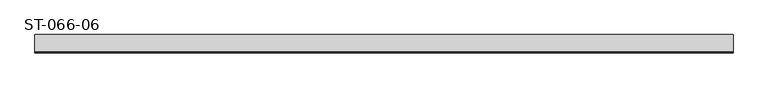
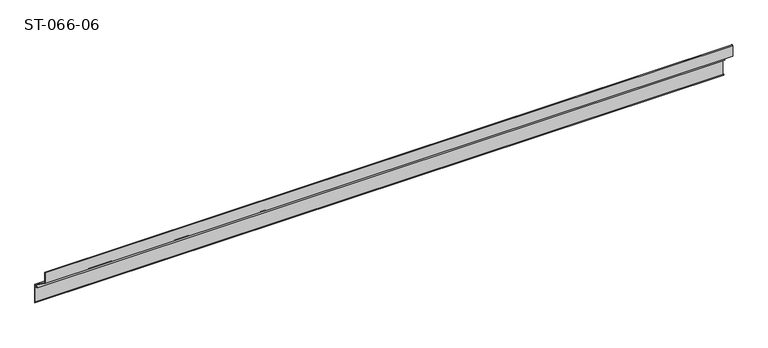
"""IFC4 building model written with IfcOpenShell, lengths in millimetres: plate geometry, ST-066-06."""

from ifc_helpers import new_model, si_unit, frame, origin, place, context, project, spatial, polyline, outline, extrude, source, transform, mapped, element, save


def st_066_06_aea55e88(model_context):
    return source(origin(), model_context, "Body", "SweptSolid", [
        extrude(outline(polyline([(26.6900039, -43.5146264), (23.3790144, -41.6030258), (25.4893427, -37.9478299), (0.0, -20.1), (0.0, -0.7), (0.9441459, -0.2085088), (1.7235764, -0.7542719), (1.4, -2.5416698), (1.4, -19.3712061), (31.0, -40.0973493), (31.0, -73.6499385), (27.0, -70.8491084), (27.0, -69.3841789), (29.6, -71.2047185), (29.6, -44.6681542), (28.3532193, -41.9944243), (27.9841575, -40.6170671), (26.0523059, -41.1347052), (26.6900039, -43.5146264)])), frame((-590.0, 0.0, 0.0), z_axis=(1.0, 0.0, 0.0), x_axis=(0.0, 1.0, 0.0)), (0.0, 0.0, 1.0), 1179.7321324),
    ])


if __name__ == "__main__":
    model = new_model("IFC4")
    model_context = context("Model", 3, world=origin())
    ifc_project = project(units=[si_unit("LENGTHUNIT", "METRE", prefix="MILLI")], contexts=[model_context])
    site = spatial("IfcSite", under=ifc_project)
    building = spatial("IfcBuilding", under=site)
    placement = place(None, origin())
    st_066_06_shape = st_066_06_aea55e88(model_context)
    element("IfcPlate", 1, ObjectType="ST-066-06", at=placement, inside=building, context=model_context, shape_type="MappedRepresentation", body=[
        mapped(st_066_06_shape, transform((0.0, 0.0, 0.0), x_axis=(1.0, 0.0, 0.0), y_axis=(0.0, 1.0, 0.0), z_axis=(0.0, 0.0, 1.0))),
    ])
    save(model, "model.ifc")
